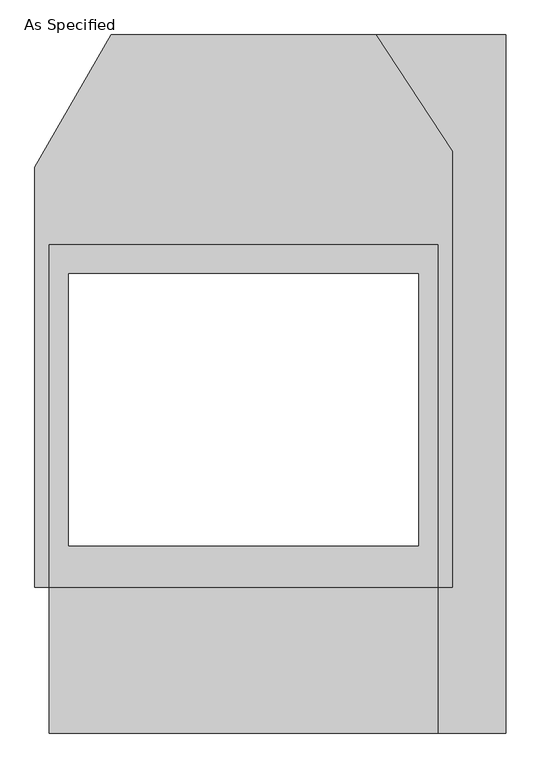
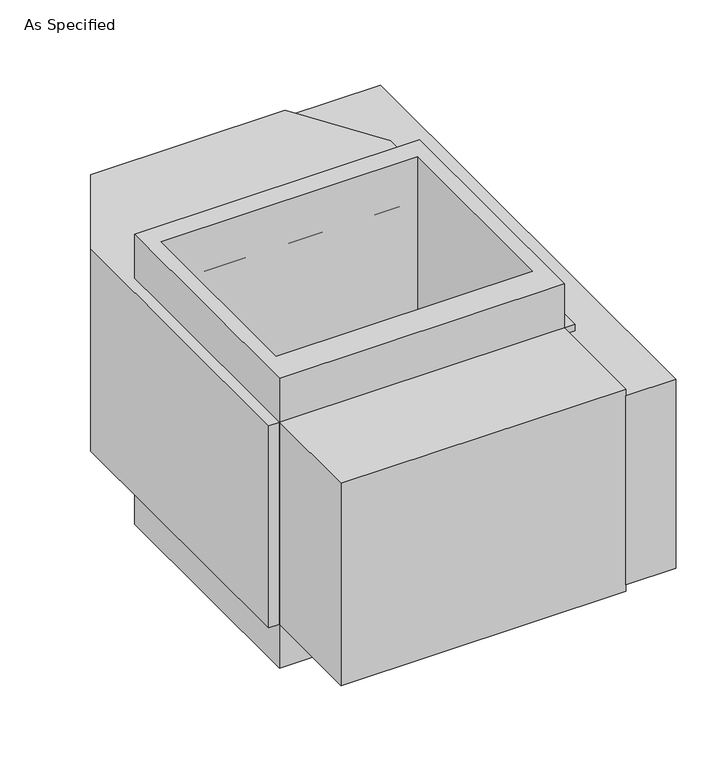
"""IFC4 building model written with IfcOpenShell, lengths in millimetres: proxy geometry, As Specified."""

from ifc_helpers import new_model, si_unit, frame, origin, place, context, project, spatial, polyline, outline, extrude, source, transform, mapped, element, save


def as_specified_51c16883(model_context):
    return source(origin(), model_context, "Body", "SweptSolid", [
        extrude(outline(polyline([(508.0, -912.5148438), (508.0, -531.5148438), (546.1, -531.5148438), (546.1, 608.0233299), (346.660123, 912.5148437), (685.8, 912.5148437), (685.8, -912.5148438), (508.0, -912.5148438)])), frame((0.0, 0.0, -762.0), z_axis=(0.0, 0.0, 1.0), x_axis=(1.0, 0.0, 0.0)), (0.0, 0.0, 1.0), 711.2),
        extrude(outline(polyline([(508.0, 363.8351562), (508.0, -531.5148438), (-508.0, -531.5148438), (-508.0, 363.8351562), (508.0, 363.8351562)]), holes=[polyline([(-457.2, 287.6748437), (-457.2, -423.5251563), (457.2, -423.5251563), (457.2, 287.6748437), (-457.2, 287.6748437)])]), frame((0.0, 0.0, -952.5), z_axis=(0.0, 0.0, 1.0), x_axis=(1.0, 0.0, 0.0)), (0.0, 0.0, 1.0), 1092.2),
        extrude(outline(polyline([(508.0, -912.5148438), (-508.0, -912.5148438), (-508.0, -531.5148438), (-546.1, -531.5148438), (-546.1, 567.0748437), (-346.660123, 912.5148437), (346.660123, 912.5148437), (546.1, 608.0233299), (546.1, -531.5148438), (508.0, -531.5148438), (508.0, -912.5148438)]), holes=[polyline([(457.2, -423.5251563), (457.2, 287.6748437), (-457.2, 287.6748437), (-457.2, -423.5251563), (457.2, -423.5251563)])]), frame((0.0, 0.0, -787.4), z_axis=(0.0, 0.0, 1.0), x_axis=(1.0, 0.0, 0.0)), (0.0, 0.0, 1.0), 762.0),
    ])


if __name__ == "__main__":
    model = new_model("IFC4")
    model_context = context("Model", 3, world=origin())
    ifc_project = project(units=[si_unit("LENGTHUNIT", "METRE", prefix="MILLI")], contexts=[model_context])
    site = spatial("IfcSite", under=ifc_project)
    building = spatial("IfcBuilding", under=site)
    placement = place(None, origin())
    as_specified_shape = as_specified_51c16883(model_context)
    element("IfcBuildingElementProxy", 1, Name="As Specified", ObjectType="As Specified", at=placement, inside=building, context=model_context, shape_type="MappedRepresentation", body=[
        mapped(as_specified_shape, transform((0.0, 0.0, 0.0), x_axis=(1.0, 0.0, 0.0), y_axis=(0.0, 1.0, 0.0), z_axis=(0.0, 0.0, 1.0))),
    ])
    save(model, "model.ifc")
